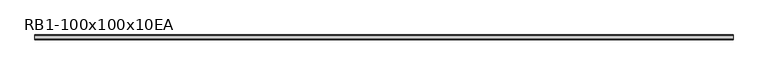
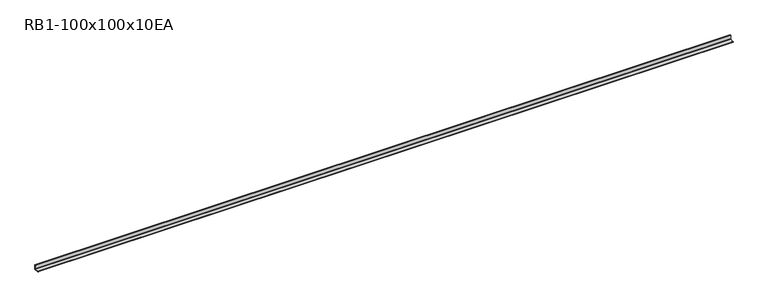
"""IFC4 building model written with IfcOpenShell, lengths in millimetres: member geometry, RB1-100x100x10EA."""

from ifc_helpers import new_model, si_unit, point, frame, frame_2d, origin, place, context, project, spatial, polyline, circle_curve, trimmed, segment, composite_curve, outline, extrude, source, transform, mapped, element, save


def rb1_100x100x10ea_3158a387(model_context):
    return source(origin(), model_context, "Body", "SweptSolid", [
        extrude(outline(composite_curve([segment(polyline([(28.2, -28.2), (-71.8, -28.2), (-71.8, -23.2)]), True, "CONTINUOUS"), segment(trimmed(circle_curve(frame_2d((-66.8, -23.2)), 5.0), [point((-71.8, -23.2))], [point((-66.8, -18.2))], False, "CARTESIAN"), True, "CONTINUOUS"), segment(polyline([(-66.8, -18.2), (10.2, -18.2)]), True, "CONTINUOUS"), segment(trimmed(circle_curve(frame_2d((10.2, -10.2)), 8.0), [point((10.2, -18.2))], [point((18.2, -10.2))], True, "CARTESIAN"), True, "CONTINUOUS"), segment(polyline([(18.2, -10.2), (18.2, 66.8)]), True, "CONTINUOUS"), segment(trimmed(circle_curve(frame_2d((23.2, 66.8)), 5.0), [point((18.2, 66.8))], [point((23.2, 71.8))], False, "CARTESIAN"), True, "CONTINUOUS"), segment(polyline([(23.2, 71.8), (28.2, 71.8), (28.2, -28.2)]), True, "CONTINUOUS")], self_intersect=False)), frame((-7299.5, 0.0, 0.0), z_axis=(1.0, 0.0, 0.0), x_axis=(0.0, 1.0, 0.0)), (0.0, 0.0, 1.0), 14617.0),
    ])


if __name__ == "__main__":
    model = new_model("IFC4")
    model_context = context("Model", 3, world=origin())
    ifc_project = project(units=[si_unit("LENGTHUNIT", "METRE", prefix="MILLI")], contexts=[model_context])
    site = spatial("IfcSite", under=ifc_project)
    building = spatial("IfcBuilding", under=site)
    placement = place(None, origin())
    rb1_100x100x10ea_shape = rb1_100x100x10ea_3158a387(model_context)
    element("IfcMember", 1, ObjectType="RB1-100x100x10EA", at=placement, inside=building, context=model_context, shape_type="MappedRepresentation", body=[
        mapped(rb1_100x100x10ea_shape, transform((0.0, 0.0, 0.0), x_axis=(1.0, 0.0, 0.0), y_axis=(0.0, 1.0, 0.0), z_axis=(0.0, 0.0, 1.0))),
    ])
    save(model, "model.ifc")
